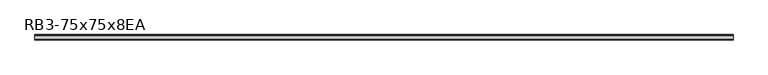
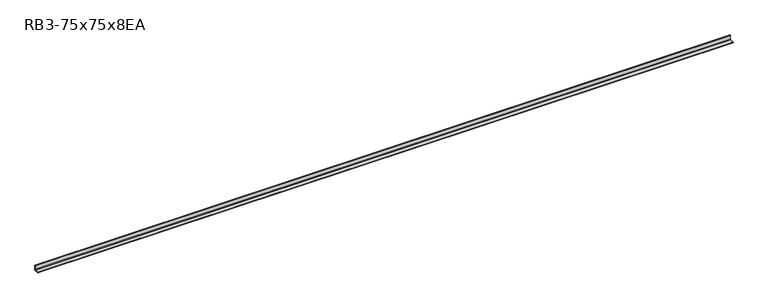
"""IFC4 building model written with IfcOpenShell, lengths in millimetres: member geometry, RB3-75x75x8EA."""

from ifc_helpers import new_model, si_unit, point, frame, frame_2d, origin, place, context, project, spatial, polyline, circle_curve, trimmed, segment, composite_curve, outline, extrude, source, transform, mapped, element, save


def rb3_75x75x8ea_cba2eb11(model_context):
    return source(origin(), model_context, "Body", "SweptSolid", [
        extrude(outline(composite_curve([segment(polyline([(21.3, -21.3), (-53.7, -21.3), (-53.7, -18.3)]), True, "CONTINUOUS"), segment(trimmed(circle_curve(frame_2d((-48.7, -18.3)), 5.0), [point((-53.7, -18.3))], [point((-48.7, -13.3))], False, "CARTESIAN"), True, "CONTINUOUS"), segment(polyline([(-48.7, -13.3), (5.3, -13.3)]), True, "CONTINUOUS"), segment(trimmed(circle_curve(frame_2d((5.3, -5.3)), 8.0), [point((5.3, -13.3))], [point((13.3, -5.3))], True, "CARTESIAN"), True, "CONTINUOUS"), segment(polyline([(13.3, -5.3), (13.3, 48.7)]), True, "CONTINUOUS"), segment(trimmed(circle_curve(frame_2d((18.3, 48.7)), 5.0), [point((13.3, 48.7))], [point((18.3, 53.7))], False, "CARTESIAN"), True, "CONTINUOUS"), segment(polyline([(18.3, 53.7), (21.3, 53.7), (21.3, -21.3)]), True, "CONTINUOUS")], self_intersect=False)), frame((-5072.5, 0.0, 0.0), z_axis=(1.0, 0.0, 0.0), x_axis=(0.0, 1.0, 0.0)), (0.0, 0.0, 1.0), 10105.0),
    ])


if __name__ == "__main__":
    model = new_model("IFC4")
    model_context = context("Model", 3, world=origin())
    ifc_project = project(units=[si_unit("LENGTHUNIT", "METRE", prefix="MILLI")], contexts=[model_context])
    site = spatial("IfcSite", under=ifc_project)
    building = spatial("IfcBuilding", under=site)
    placement = place(None, origin())
    rb3_75x75x8ea_shape = rb3_75x75x8ea_cba2eb11(model_context)
    element("IfcMember", 1, ObjectType="RB3-75x75x8EA", at=placement, inside=building, context=model_context, shape_type="MappedRepresentation", body=[
        mapped(rb3_75x75x8ea_shape, transform((0.0, 0.0, 0.0), x_axis=(1.0, 0.0, 0.0), y_axis=(0.0, 1.0, 0.0), z_axis=(0.0, 0.0, 1.0))),
    ])
    save(model, "model.ifc")
